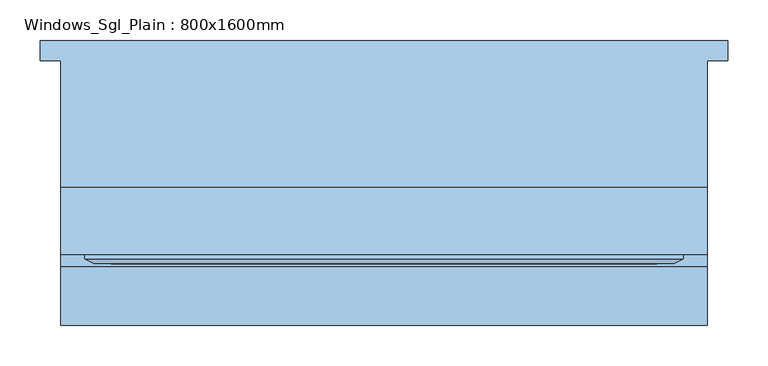
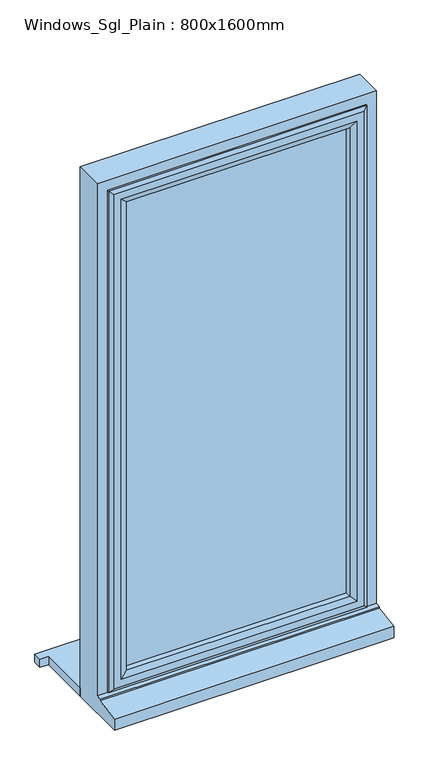
"""IFC4 building model written with IfcOpenShell, lengths in millimetres: window geometry, Windows_Sgl_Plain : 800x1600mm."""

from ifc_helpers import new_model, si_unit, frame, origin, place, context, project, spatial, polyline, outline, extrude, faceted_brep, source, transform, mapped, element, save


def windows_sgl_plain_800x1600mm_d5abe4f9(model_context):
    return source(origin(), model_context, "Body", "SolidModel", [
        extrude(outline(polyline([(-425.0, 161.5434322), (425.0, 161.5434322), (425.0, 136.5434322), (400.0, 136.5434322), (400.0, -20.4565678), (-400.0, -20.4565678), (-400.0, 136.5434322), (-425.0, 136.5434322), (-425.0, 161.5434322)])), frame((0.0, 0.0, 510.0), z_axis=(0.0, 0.0, 1.0), x_axis=(1.0, 0.0, 0.0)), (0.0, 0.0, 1.0), 25.0),
        faceted_brep([(-400.0, -20.4565678, 510.0), (-400.0, -20.4565678, 2110.0), (400.0, -20.4565678, 2110.0), (400.0, -20.4565678, 510.0), (-340.0, -20.4565678, 2050.0), (-340.0, -20.4565678, 585.0), (340.0, -20.4565678, 585.0), (340.0, -20.4565678, 2050.0), (-400.0, -190.9565678, 510.0), (-400.0, -190.9565678, 543.8088847), (-400.0, -118.4565678, 554.7449676), (-400.0, -118.4565678, 559.68767), (-400.0, -103.4565678, 561.0), (-400.0, -103.4565678, 2110.0), (400.0, -103.4565678, 561.0), (400.0, -103.4565678, 2110.0), (-360.0, -103.4565678, 2070.0), (360.0, -103.4565678, 2070.0), (360.0, -103.4565678, 573.0), (-360.0, -103.4565678, 573.0), (-360.0, -38.4565678, 573.0), (-360.0, -38.4565678, 2070.0), (360.0, -38.4565678, 573.0), (360.0, -38.4565678, 2070.0), (-340.0, -38.4565678, 2050.0), (340.0, -38.4565678, 2050.0), (340.0, -38.4565678, 585.0), (-340.0, -38.4565678, 585.0), (400.0, -118.4565678, 559.68767), (400.0, -118.4565678, 554.7449676), (400.0, -190.9565678, 543.8088847), (400.0, -190.9565678, 510.0)], [[[0, 1, 2, 3], [4, 5, 6, 7]], [[0, 8, 9, 10, 11, 12, 13, 1]], [[12, 14, 15, 13], [16, 17, 18, 19]], [[19, 20, 21, 16]], [[21, 20, 22, 23], [24, 25, 26, 27]], [[24, 27, 5, 4]], [[1, 13, 15, 2]], [[16, 21, 23, 17]], [[7, 25, 24, 4]], [[14, 28, 29, 30, 31, 3, 2, 15]], [[17, 23, 22, 18]], [[7, 6, 26, 25]], [[31, 8, 0, 3]], [[30, 9, 8, 31]], [[29, 10, 9, 30]], [[28, 11, 10, 29]], [[14, 12, 11, 28]], [[20, 19, 18, 22]], [[5, 27, 26, 6]]]),
        extrude(outline(polyline([(330.0, -67.4565678), (330.0, -91.4565678), (-330.0, -91.4565678), (-330.0, -67.4565678), (330.0, -67.4565678)])), frame((0.0, 0.0, 603.0), z_axis=(0.0, 0.0, 1.0), x_axis=(1.0, 0.0, 0.0)), (0.0, 0.0, 1.0), 1437.0),
        faceted_brep([(-370.0, -103.4565678, 2080.0), (-370.0, -103.4565678, 563.0), (-370.0, -109.2300705, 563.0), (-370.0, -109.2300705, 2080.0), (-360.0, -38.4565678, 2070.0), (-360.0, -38.4565678, 573.0), (-360.0, -103.4565678, 573.0), (-360.0, -103.4565678, 2070.0), (-320.0, -52.9494677, 2030.0), (-320.0, -52.9494677, 613.0), (-330.1480377, -38.4565678, 602.8519623), (-330.1480377, -38.4565678, 2040.1480377), (-320.0, -67.4565678, 2030.0), (-320.0, -67.4565678, 613.0), (-330.0, -91.4565678, 2040.0), (-330.0, -91.4565678, 603.0), (-330.0, -67.4565678, 603.0), (-330.0, -67.4565678, 2040.0), (-320.0, -109.2300705, 2030.0), (-320.0, -109.2300705, 613.0), (-320.0, -91.4565678, 613.0), (-320.0, -91.4565678, 2030.0), (-337.4457548, -115.0035732, 2047.4457548), (-337.4457548, -115.0035732, 595.5542452), (-359.2153903, -115.0035732, 573.7846097), (-359.2153903, -115.0035732, 2069.2153903), (370.0, -103.4565678, 563.0), (370.0, -109.2300705, 563.0), (360.0, -38.4565678, 573.0), (360.0, -103.4565678, 573.0), (320.0, -52.9494677, 613.0), (330.1480377, -38.4565678, 602.8519623), (320.0, -67.4565678, 613.0), (330.0, -91.4565678, 603.0), (330.0, -67.4565678, 603.0), (320.0, -109.2300705, 613.0), (320.0, -91.4565678, 613.0), (337.4457548, -115.0035732, 595.5542452), (359.2153903, -115.0035732, 573.7846097), (370.0, -103.4565678, 2080.0), (370.0, -109.2300705, 2080.0), (360.0, -38.4565678, 2070.0), (360.0, -103.4565678, 2070.0), (320.0, -52.9494677, 2030.0), (330.1480377, -38.4565678, 2040.1480377), (320.0, -67.4565678, 2030.0), (330.0, -91.4565678, 2040.0), (330.0, -67.4565678, 2040.0), (320.0, -109.2300705, 2030.0), (320.0, -91.4565678, 2030.0), (337.4457548, -115.0035732, 2047.4457548), (359.2153903, -115.0035732, 2069.2153903)], [[[0, 1, 2, 3]], [[4, 5, 6, 7]], [[8, 9, 10, 11]], [[12, 13, 9, 8]], [[14, 15, 16, 17]], [[18, 19, 20, 21]], [[22, 23, 19, 18]], [[3, 2, 24, 25]], [[1, 26, 27, 2]], [[5, 28, 29, 6]], [[9, 30, 31, 10]], [[13, 32, 30, 9]], [[15, 33, 34, 16]], [[19, 35, 36, 20]], [[23, 37, 35, 19]], [[2, 27, 38, 24]], [[26, 39, 40, 27]], [[28, 41, 42, 29]], [[30, 43, 44, 31]], [[32, 45, 43, 30]], [[33, 46, 47, 34]], [[35, 48, 49, 36]], [[37, 50, 48, 35]], [[27, 40, 51, 38]], [[39, 0, 3, 40]], [[1, 0, 39, 26], [7, 6, 29, 42]], [[41, 4, 7, 42]], [[5, 4, 41, 28], [11, 10, 31, 44]], [[43, 8, 11, 44]], [[45, 12, 8, 43]], [[17, 16, 34, 47], [13, 12, 45, 32]], [[46, 14, 17, 47]], [[15, 14, 46, 33], [21, 20, 36, 49]], [[48, 18, 21, 49]], [[50, 22, 18, 48]], [[25, 24, 38, 51], [23, 22, 50, 37]], [[40, 3, 25, 51]]]),
    ])


if __name__ == "__main__":
    model = new_model("IFC4")
    model_context = context("Model", 3, world=origin())
    ifc_project = project(units=[si_unit("LENGTHUNIT", "METRE", prefix="MILLI")], contexts=[model_context])
    site = spatial("IfcSite", under=ifc_project)
    building = spatial("IfcBuilding", under=site)
    placement = place(None, origin())
    windows_sgl_plain_800x1600mm_shape = windows_sgl_plain_800x1600mm_d5abe4f9(model_context)
    element("IfcWindow", 1, ObjectType="Windows_Sgl_Plain : 800x1600mm", at=placement, inside=building, context=model_context, shape_type="MappedRepresentation", body=[
        mapped(windows_sgl_plain_800x1600mm_shape, transform((0.0, 0.0, 0.0), x_axis=(1.0, 0.0, 0.0), y_axis=(0.0, 1.0, 0.0), z_axis=(0.0, 0.0, 1.0))),
    ])
    save(model, "model.ifc")
